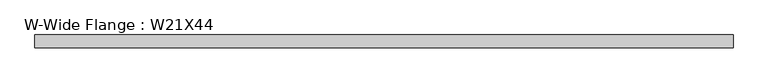
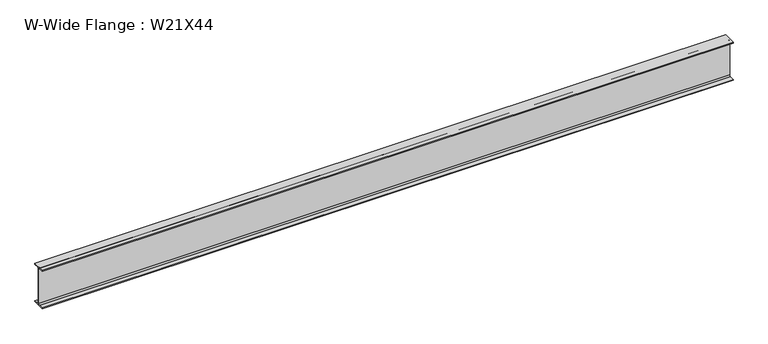
"""IFC4 building model written with IfcOpenShell, lengths in millimetres: beam geometry, W-Wide Flange : W21X44."""

from ifc_helpers import new_model, si_unit, point, frame, frame_2d, origin, place, context, project, spatial, polyline, circle_curve, trimmed, segment, composite_curve, outline, extrude, source, transform, mapped, element, save


def w_wide_flange_w21x44_0429395c(model_context):
    return source(origin(), model_context, "Body", "SweptSolid", [
        extrude(outline(composite_curve([segment(polyline([(82.55, -251.4699219), (82.55, -262.8800781), (-82.55, -262.8800781), (-82.55, -251.4699219), (-21.6296875, -251.4699219)]), True, "CONTINUOUS"), segment(trimmed(circle_curve(frame_2d((-21.6296875, -234.3050781)), 17.1648437), [point((-21.6296875, -251.4699219))], [point((-4.4648438, -234.3050781))], True, "CARTESIAN"), True, "CONTINUOUS"), segment(polyline([(-4.4648438, -234.3050781), (-4.4648438, 234.3050781)]), True, "CONTINUOUS"), segment(trimmed(circle_curve(frame_2d((-21.6296875, 234.3050781)), 17.1648437), [point((-4.4648438, 234.3050781))], [point((-21.6296875, 251.4699219))], True, "CARTESIAN"), True, "CONTINUOUS"), segment(polyline([(-21.6296875, 251.4699219), (-82.55, 251.4699219), (-82.55, 262.8800781), (82.55, 262.8800781), (82.55, 251.4699219), (21.6296875, 251.4699219)]), True, "CONTINUOUS"), segment(trimmed(circle_curve(frame_2d((21.6296875, 234.3050781)), 17.1648437), [point((21.6296875, 251.4699219))], [point((4.4648437, 234.3050781))], True, "CARTESIAN"), True, "CONTINUOUS"), segment(polyline([(4.4648437, 234.3050781), (4.4648437, -234.3050781)]), True, "CONTINUOUS"), segment(trimmed(circle_curve(frame_2d((21.6296875, -234.3050781)), 17.1648437), [point((4.4648437, -234.3050781))], [point((21.6296875, -251.4699219))], True, "CARTESIAN"), True, "CONTINUOUS"), segment(polyline([(21.6296875, -251.4699219), (82.55, -251.4699219)]), True, "CONTINUOUS")], self_intersect=False)), frame((-4483.1, 0.0, 0.0), z_axis=(1.0, 0.0, 0.0), x_axis=(0.0, 1.0, 0.0)), (0.0, 0.0, 1.0), 8990.6078125),
    ])


if __name__ == "__main__":
    model = new_model("IFC4")
    model_context = context("Model", 3, world=origin())
    ifc_project = project(units=[si_unit("LENGTHUNIT", "METRE", prefix="MILLI")], contexts=[model_context])
    site = spatial("IfcSite", under=ifc_project)
    building = spatial("IfcBuilding", under=site)
    placement = place(None, origin())
    w_wide_flange_w21x44_shape = w_wide_flange_w21x44_0429395c(model_context)
    element("IfcBeam", 1, ObjectType="W-Wide Flange : W21X44", at=placement, inside=building, context=model_context, shape_type="MappedRepresentation", body=[
        mapped(w_wide_flange_w21x44_shape, transform((0.0, 0.0, 0.0), x_axis=(1.0, 0.0, 0.0), y_axis=(0.0, 1.0, 0.0), z_axis=(0.0, 0.0, 1.0))),
    ])
    save(model, "model.ifc")
